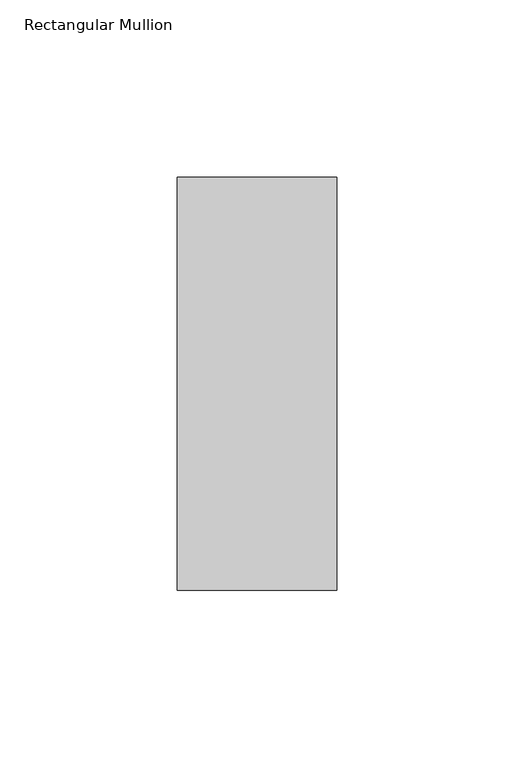
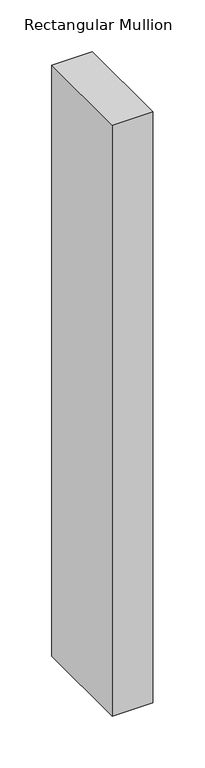
"""IFC4 building model written with IfcOpenShell, lengths in millimetres: member geometry, Rectangular Mullion."""

from ifc_helpers import new_model, si_unit, frame, origin, place, context, project, spatial, polyline, outline, extrude, source, transform, mapped, element, save


def rectangular_mullion_2dea7eed(model_context):
    return source(origin(), model_context, "Body", "SweptSolid", [
        extrude(outline(polyline([(22.5226562, 73.875), (22.5226562, -42.8257813), (-22.5226562, -42.8257813), (-22.5226562, 73.875), (22.5226562, 73.875)])), frame((0.0, 0.0, -695.5234375), z_axis=(0.0, 0.0, 1.0), x_axis=(1.0, 0.0, 0.0)), (0.0, 0.0, 1.0), 695.5234375),
    ])


if __name__ == "__main__":
    model = new_model("IFC4")
    model_context = context("Model", 3, world=origin())
    ifc_project = project(units=[si_unit("LENGTHUNIT", "METRE", prefix="MILLI")], contexts=[model_context])
    site = spatial("IfcSite", under=ifc_project)
    building = spatial("IfcBuilding", under=site)
    placement = place(None, origin())
    rectangular_mullion_shape = rectangular_mullion_2dea7eed(model_context)
    element("IfcMember", 1, ObjectType="Rectangular Mullion", at=placement, inside=building, context=model_context, shape_type="MappedRepresentation", body=[
        mapped(rectangular_mullion_shape, transform((0.0, 0.0, 0.0), x_axis=(1.0, 0.0, 0.0), y_axis=(0.0, 1.0, 0.0), z_axis=(0.0, 0.0, 1.0))),
    ])
    save(model, "model.ifc")
